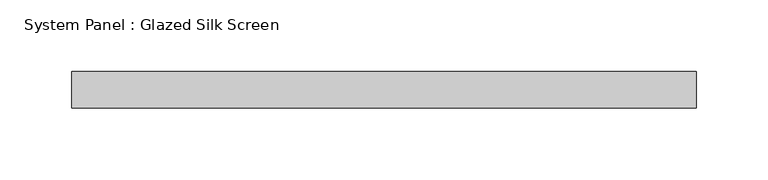
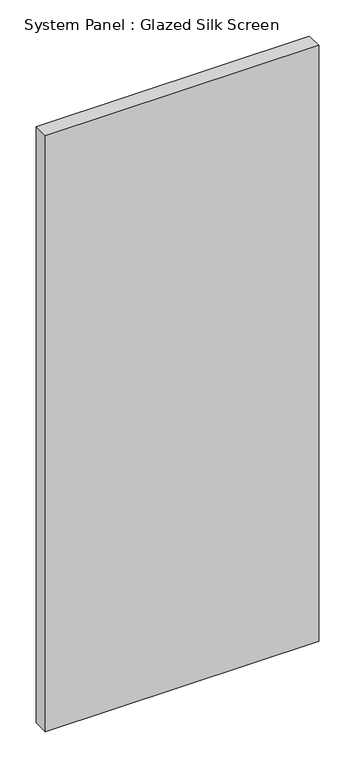
"""IFC4 building model written with IfcOpenShell, lengths in millimetres: plate geometry, System Panel : Glazed Silk Screen."""

from ifc_helpers import new_model, si_unit, origin, origin_with_axes, place, context, project, spatial, polyline, outline, extrude, source, transform, mapped, element, save


def system_panel_glazed_silk_screen_ddac8a5f(model_context):
    return source(origin(), model_context, "Body", "SweptSolid", [
        extrude(outline(polyline([(217.5197371, 19.05), (-217.5197371, 19.05), (-217.5197371, 44.45), (217.5197371, 44.45), (217.5197371, 19.05)])), origin_with_axes(), (0.0, 0.0, 1.0), 1003.3),
    ])


if __name__ == "__main__":
    model = new_model("IFC4")
    model_context = context("Model", 3, world=origin())
    ifc_project = project(units=[si_unit("LENGTHUNIT", "METRE", prefix="MILLI")], contexts=[model_context])
    site = spatial("IfcSite", under=ifc_project)
    building = spatial("IfcBuilding", under=site)
    placement = place(None, origin())
    system_panel_glazed_silk_screen_shape = system_panel_glazed_silk_screen_ddac8a5f(model_context)
    element("IfcPlate", 1, ObjectType="System Panel : Glazed Silk Screen", at=placement, inside=building, context=model_context, shape_type="MappedRepresentation", body=[
        mapped(system_panel_glazed_silk_screen_shape, transform((0.0, 0.0, 0.0), x_axis=(1.0, 0.0, 0.0), y_axis=(0.0, 1.0, 0.0), z_axis=(0.0, 0.0, 1.0))),
    ])
    save(model, "model.ifc")
